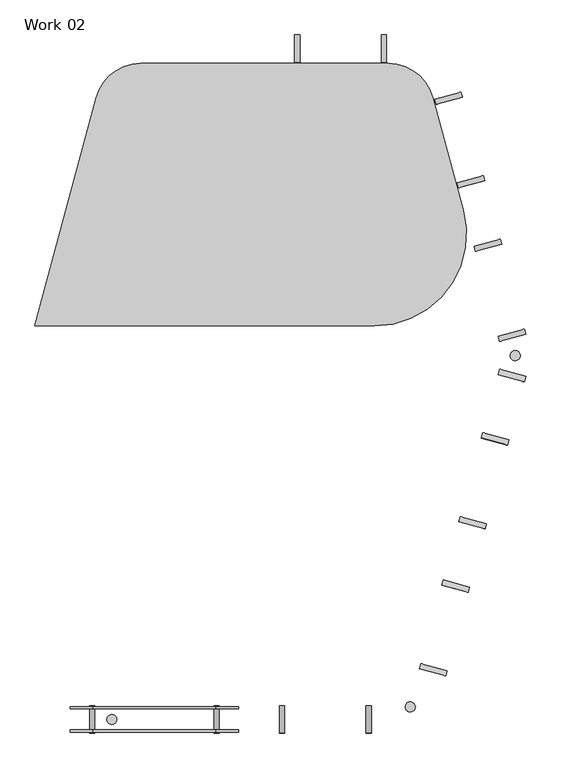
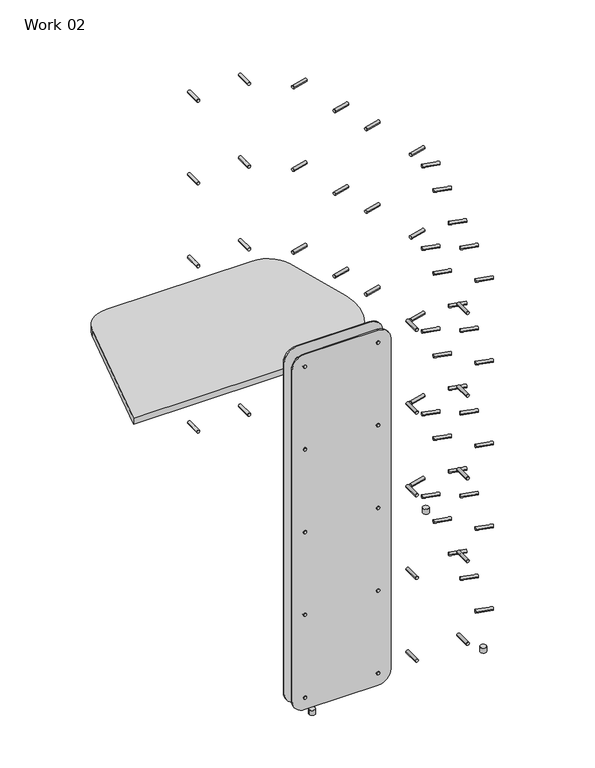
"""IFC4 building model written with IfcOpenShell, lengths in millimetres: furniture geometry, Work 02."""

from ifc_helpers import new_model, si_unit, point, frame, frame_2d, origin, origin_with_axes, place, context, project, spatial, polyline, circle_curve, trimmed, segment, composite_curve, outline, extrude, source, transform, mapped, element, save


def work_02_675f0acc(model_context):
    return source(origin(), model_context, "Body", "SweptSolid", [
        extrude(outline(composite_curve([segment(trimmed(circle_curve(frame_2d((1460.0, 208.1055891)), 6.0), [point((1460.0, 214.1055891))], [point((1460.0, 202.1055891))], False, "CARTESIAN"), True, "CONTINUOUS"), segment(trimmed(circle_curve(frame_2d((1460.0, 208.1055891)), 6.0), [point((1460.0, 202.1055891))], [point((1460.0, 214.1055891))], False, "CARTESIAN"), True, "CONTINUOUS")], self_intersect=False)), frame((0.0, -1593.1786441, 0.0), z_axis=(0.0, 1.0, 0.0), x_axis=(0.0, 0.0, 1.0)), (0.0, 0.0, 1.0), 62.0),
        extrude(outline(composite_curve([segment(trimmed(circle_curve(frame_2d((1460.0, 492.3645891)), 6.0), [point((1460.0, 498.3645891))], [point((1460.0, 486.3645891))], False, "CARTESIAN"), True, "CONTINUOUS"), segment(trimmed(circle_curve(frame_2d((1460.0, 492.3645891)), 6.0), [point((1460.0, 486.3645891))], [point((1460.0, 498.3645891))], False, "CARTESIAN"), True, "CONTINUOUS")], self_intersect=False)), frame((0.0, -1593.1786441, 0.0), z_axis=(0.0, 1.0, 0.0), x_axis=(0.0, 0.0, 1.0)), (0.0, 0.0, 1.0), 62.0),
        extrude(outline(composite_curve([segment(trimmed(circle_curve(frame_2d((1120.0, 208.1055891)), 6.0), [point((1120.0, 214.1055891))], [point((1120.0, 202.1055891))], False, "CARTESIAN"), True, "CONTINUOUS"), segment(trimmed(circle_curve(frame_2d((1120.0, 208.1055891)), 6.0), [point((1120.0, 202.1055891))], [point((1120.0, 214.1055891))], False, "CARTESIAN"), True, "CONTINUOUS")], self_intersect=False)), frame((0.0, -1593.1786441, 0.0), z_axis=(0.0, 1.0, 0.0), x_axis=(0.0, 0.0, 1.0)), (0.0, 0.0, 1.0), 62.0),
        extrude(outline(composite_curve([segment(trimmed(circle_curve(frame_2d((1120.0, 492.3645891)), 6.0), [point((1120.0, 498.3645891))], [point((1120.0, 486.3645891))], False, "CARTESIAN"), True, "CONTINUOUS"), segment(trimmed(circle_curve(frame_2d((1120.0, 492.3645891)), 6.0), [point((1120.0, 486.3645891))], [point((1120.0, 498.3645891))], False, "CARTESIAN"), True, "CONTINUOUS")], self_intersect=False)), frame((0.0, -1593.1786441, 0.0), z_axis=(0.0, 1.0, 0.0), x_axis=(0.0, 0.0, 1.0)), (0.0, 0.0, 1.0), 62.0),
        extrude(outline(composite_curve([segment(trimmed(circle_curve(frame_2d((780.0, 208.1055891)), 6.0), [point((780.0, 214.1055891))], [point((780.0, 202.1055891))], False, "CARTESIAN"), True, "CONTINUOUS"), segment(trimmed(circle_curve(frame_2d((780.0, 208.1055891)), 6.0), [point((780.0, 202.1055891))], [point((780.0, 214.1055891))], False, "CARTESIAN"), True, "CONTINUOUS")], self_intersect=False)), frame((0.0, -1593.1786441, 0.0), z_axis=(0.0, 1.0, 0.0), x_axis=(0.0, 0.0, 1.0)), (0.0, 0.0, 1.0), 62.0),
        extrude(outline(composite_curve([segment(trimmed(circle_curve(frame_2d((780.0, 492.3645891)), 6.0), [point((780.0, 498.3645891))], [point((780.0, 486.3645891))], False, "CARTESIAN"), True, "CONTINUOUS"), segment(trimmed(circle_curve(frame_2d((780.0, 492.3645891)), 6.0), [point((780.0, 486.3645891))], [point((780.0, 498.3645891))], False, "CARTESIAN"), True, "CONTINUOUS")], self_intersect=False)), frame((0.0, -1593.1786441, 0.0), z_axis=(0.0, 1.0, 0.0), x_axis=(0.0, 0.0, 1.0)), (0.0, 0.0, 1.0), 62.0),
        extrude(outline(composite_curve([segment(trimmed(circle_curve(frame_2d((440.0, 208.1055891)), 6.0), [point((440.0, 214.1055891))], [point((440.0, 202.1055891))], False, "CARTESIAN"), True, "CONTINUOUS"), segment(trimmed(circle_curve(frame_2d((440.0, 208.1055891)), 6.0), [point((440.0, 202.1055891))], [point((440.0, 214.1055891))], False, "CARTESIAN"), True, "CONTINUOUS")], self_intersect=False)), frame((0.0, -1593.1786441, 0.0), z_axis=(0.0, 1.0, 0.0), x_axis=(0.0, 0.0, 1.0)), (0.0, 0.0, 1.0), 62.0),
        extrude(outline(composite_curve([segment(trimmed(circle_curve(frame_2d((440.0, 492.3645891)), 6.0), [point((440.0, 498.3645891))], [point((440.0, 486.3645891))], False, "CARTESIAN"), True, "CONTINUOUS"), segment(trimmed(circle_curve(frame_2d((440.0, 492.3645891)), 6.0), [point((440.0, 486.3645891))], [point((440.0, 498.3645891))], False, "CARTESIAN"), True, "CONTINUOUS")], self_intersect=False)), frame((0.0, -1593.1786441, 0.0), z_axis=(0.0, 1.0, 0.0), x_axis=(0.0, 0.0, 1.0)), (0.0, 0.0, 1.0), 62.0),
        extrude(outline(composite_curve([segment(trimmed(circle_curve(frame_2d((100.0, 208.1055891)), 6.0), [point((100.0, 214.1055891))], [point((100.0, 202.1055891))], False, "CARTESIAN"), True, "CONTINUOUS"), segment(trimmed(circle_curve(frame_2d((100.0, 208.1055891)), 6.0), [point((100.0, 202.1055891))], [point((100.0, 214.1055891))], False, "CARTESIAN"), True, "CONTINUOUS")], self_intersect=False)), frame((0.0, -1593.1786441, 0.0), z_axis=(0.0, 1.0, 0.0), x_axis=(0.0, 0.0, 1.0)), (0.0, 0.0, 1.0), 62.0),
        extrude(outline(composite_curve([segment(trimmed(circle_curve(frame_2d((100.0, 492.3645891)), 6.0), [point((100.0, 498.3645891))], [point((100.0, 486.3645891))], False, "CARTESIAN"), True, "CONTINUOUS"), segment(trimmed(circle_curve(frame_2d((100.0, 492.3645891)), 6.0), [point((100.0, 486.3645891))], [point((100.0, 498.3645891))], False, "CARTESIAN"), True, "CONTINUOUS")], self_intersect=False)), frame((0.0, -1593.1786441, 0.0), z_axis=(0.0, 1.0, 0.0), x_axis=(0.0, 0.0, 1.0)), (0.0, 0.0, 1.0), 62.0),
        extrude(outline(composite_curve([segment(trimmed(circle_curve(frame_2d((253.1261131, -1562.1020474)), 11.4859648), [point((264.2207031, -1565.0748338))], [point((242.0315231, -1559.1292609))], False, "CARTESIAN"), True, "CONTINUOUS"), segment(trimmed(circle_curve(frame_2d((253.1261131, -1562.1020474)), 11.4859648), [point((242.0315231, -1559.1292609))], [point((264.2207031, -1565.0748338))], False, "CARTESIAN"), True, "CONTINUOUS")], self_intersect=False)), origin_with_axes(), (0.0, 0.0, 1.0), 20.0),
        extrude(outline(composite_curve([segment(trimmed(circle_curve(frame_2d((935.6841892, -1533.2481117)), 11.5), [point((946.7923362, -1536.2245307))], [point((924.5760422, -1530.2716927))], False, "CARTESIAN"), True, "CONTINUOUS"), segment(trimmed(circle_curve(frame_2d((935.6841892, -1533.2481117)), 11.5), [point((924.5760422, -1530.2716927))], [point((946.7923362, -1536.2245307))], False, "CARTESIAN"), True, "CONTINUOUS")], self_intersect=False)), origin_with_axes(), (0.0, 0.0, 1.0), 20.0),
        extrude(outline(composite_curve([segment(trimmed(circle_curve(frame_2d((1459.2, 208.9055891)), 50.8), [point((1510.0, 208.9055891))], [point((1459.2, 158.1055891))], False, "CARTESIAN"), True, "CONTINUOUS"), segment(polyline([(1459.2, 158.1055891), (100.8, 158.1055891)]), True, "CONTINUOUS"), segment(trimmed(circle_curve(frame_2d((100.8, 208.9055891)), 50.8), [point((100.8, 158.1055891))], [point((50.0, 208.9055891))], False, "CARTESIAN"), True, "CONTINUOUS"), segment(polyline([(50.0, 208.9055891), (50.0, 491.5645891)]), True, "CONTINUOUS"), segment(trimmed(circle_curve(frame_2d((100.8, 491.5645891)), 50.8), [point((50.0, 491.5645891))], [point((100.8, 542.3645891))], False, "CARTESIAN"), True, "CONTINUOUS"), segment(polyline([(100.8, 542.3645891), (1459.2, 542.3645891)]), True, "CONTINUOUS"), segment(trimmed(circle_curve(frame_2d((1459.2, 491.5645891)), 50.8), [point((1459.2, 542.3645891))], [point((1510.0, 491.5645891))], False, "CARTESIAN"), True, "CONTINUOUS"), segment(polyline([(1510.0, 491.5645891), (1510.0, 208.9055891)]), True, "CONTINUOUS")], self_intersect=False)), frame((0.0, -1538.1786441, 0.0), z_axis=(0.0, 1.0, 0.0), x_axis=(0.0, 0.0, 1.0)), (0.0, 0.0, 1.0), 5.0),
        extrude(outline(composite_curve([segment(trimmed(circle_curve(frame_2d((1459.2, 208.9055891)), 50.8), [point((1510.0, 208.9055891))], [point((1459.2, 158.1055891))], False, "CARTESIAN"), True, "CONTINUOUS"), segment(polyline([(1459.2, 158.1055891), (100.8, 158.1055891)]), True, "CONTINUOUS"), segment(trimmed(circle_curve(frame_2d((100.8, 208.9055891)), 50.8), [point((100.8, 158.1055891))], [point((50.0, 208.9055891))], False, "CARTESIAN"), True, "CONTINUOUS"), segment(polyline([(50.0, 208.9055891), (50.0, 491.5645891)]), True, "CONTINUOUS"), segment(trimmed(circle_curve(frame_2d((100.8, 491.5645891)), 50.8), [point((50.0, 491.5645891))], [point((100.8, 542.3645891))], False, "CARTESIAN"), True, "CONTINUOUS"), segment(polyline([(100.8, 542.3645891), (1459.2, 542.3645891)]), True, "CONTINUOUS"), segment(trimmed(circle_curve(frame_2d((1459.2, 491.5645891)), 50.8), [point((1459.2, 542.3645891))], [point((1510.0, 491.5645891))], False, "CARTESIAN"), True, "CONTINUOUS"), segment(polyline([(1510.0, 491.5645891), (1510.0, 208.9055891)]), True, "CONTINUOUS")], self_intersect=False)), frame((0.0, -1591.1786441, 0.0), z_axis=(0.0, 1.0, 0.0), x_axis=(0.0, 0.0, 1.0)), (0.0, 0.0, 1.0), 5.0),
        extrude(outline(composite_curve([segment(trimmed(circle_curve(frame_2d((0.0, -5.9999999)), 6.0), [point((0.0, -12.0))], [point((0.0, 0.0))], False, "CARTESIAN"), True, "CONTINUOUS"), segment(trimmed(circle_curve(frame_2d((0.0, -5.9999999)), 6.0), [point((0.0, 0.0))], [point((0.0, -12.0))], False, "CARTESIAN"), True, "CONTINUOUS")], self_intersect=False)), frame((1019.7720101, -1450.9818876, 1460.0), z_axis=(-0.9659258262890665, 0.25881904510252746, 0.0), x_axis=(0.0, 0.0, 1.0)), (0.0, 0.0, 1.0), 62.0),
        extrude(outline(composite_curve([segment(trimmed(circle_curve(frame_2d((0.0, 192.0930001)), 6.0), [point((0.0, 186.093))], [point((0.0, 198.093))], False, "CARTESIAN"), True, "CONTINUOUS"), segment(trimmed(circle_curve(frame_2d((0.0, 192.0930001)), 6.0), [point((0.0, 198.093))], [point((0.0, 186.093))], False, "CARTESIAN"), True, "CONTINUOUS")], self_intersect=False)), frame((1019.7720101, -1450.9818876, 1460.0), z_axis=(-0.9659258262890665, 0.25881904510252746, 0.0), x_axis=(0.0, 0.0, 1.0)), (0.0, 0.0, 1.0), 62.0),
        extrude(outline(composite_curve([segment(trimmed(circle_curve(frame_2d((-340.0, -5.9999999)), 6.0), [point((-340.0, -12.0))], [point((-340.0, 0.0))], False, "CARTESIAN"), True, "CONTINUOUS"), segment(trimmed(circle_curve(frame_2d((-340.0, -5.9999999)), 6.0), [point((-340.0, 0.0))], [point((-340.0, -12.0))], False, "CARTESIAN"), True, "CONTINUOUS")], self_intersect=False)), frame((1019.7720101, -1450.9818876, 1460.0), z_axis=(-0.9659258262890665, 0.25881904510252746, 0.0), x_axis=(0.0, 0.0, 1.0)), (0.0, 0.0, 1.0), 62.0),
        extrude(outline(composite_curve([segment(trimmed(circle_curve(frame_2d((-340.0, 192.0930001)), 6.0), [point((-340.0, 186.093))], [point((-340.0, 198.093))], False, "CARTESIAN"), True, "CONTINUOUS"), segment(trimmed(circle_curve(frame_2d((-340.0, 192.0930001)), 6.0), [point((-340.0, 198.093))], [point((-340.0, 186.093))], False, "CARTESIAN"), True, "CONTINUOUS")], self_intersect=False)), frame((1019.7720101, -1450.9818876, 1460.0), z_axis=(-0.9659258262890665, 0.25881904510252746, 0.0), x_axis=(0.0, 0.0, 1.0)), (0.0, 0.0, 1.0), 62.0),
        extrude(outline(composite_curve([segment(trimmed(circle_curve(frame_2d((-680.0, -5.9999999)), 6.0), [point((-680.0, -12.0))], [point((-680.0, 0.0))], False, "CARTESIAN"), True, "CONTINUOUS"), segment(trimmed(circle_curve(frame_2d((-680.0, -5.9999999)), 6.0), [point((-680.0, 0.0))], [point((-680.0, -12.0))], False, "CARTESIAN"), True, "CONTINUOUS")], self_intersect=False)), frame((1019.7720101, -1450.9818876, 1460.0), z_axis=(-0.9659258262890665, 0.25881904510252746, 0.0), x_axis=(0.0, 0.0, 1.0)), (0.0, 0.0, 1.0), 62.0),
        extrude(outline(composite_curve([segment(trimmed(circle_curve(frame_2d((-680.0, 192.0930001)), 6.0), [point((-680.0, 186.093))], [point((-680.0, 198.093))], False, "CARTESIAN"), True, "CONTINUOUS"), segment(trimmed(circle_curve(frame_2d((-680.0, 192.0930001)), 6.0), [point((-680.0, 198.093))], [point((-680.0, 186.093))], False, "CARTESIAN"), True, "CONTINUOUS")], self_intersect=False)), frame((1019.7720101, -1450.9818876, 1460.0), z_axis=(-0.9659258262890665, 0.25881904510252746, 0.0), x_axis=(0.0, 0.0, 1.0)), (0.0, 0.0, 1.0), 62.0),
        extrude(outline(composite_curve([segment(trimmed(circle_curve(frame_2d((-1020.0, -5.9999999)), 6.0), [point((-1020.0, -12.0))], [point((-1020.0, 0.0))], False, "CARTESIAN"), True, "CONTINUOUS"), segment(trimmed(circle_curve(frame_2d((-1020.0, -5.9999999)), 6.0), [point((-1020.0, 0.0))], [point((-1020.0, -12.0))], False, "CARTESIAN"), True, "CONTINUOUS")], self_intersect=False)), frame((1019.7720101, -1450.9818876, 1460.0), z_axis=(-0.9659258262890665, 0.25881904510252746, 0.0), x_axis=(0.0, 0.0, 1.0)), (0.0, 0.0, 1.0), 62.0),
        extrude(outline(composite_curve([segment(trimmed(circle_curve(frame_2d((-1020.0, 192.0930001)), 6.0), [point((-1020.0, 186.093))], [point((-1020.0, 198.093))], False, "CARTESIAN"), True, "CONTINUOUS"), segment(trimmed(circle_curve(frame_2d((-1020.0, 192.0930001)), 6.0), [point((-1020.0, 198.093))], [point((-1020.0, 186.093))], False, "CARTESIAN"), True, "CONTINUOUS")], self_intersect=False)), frame((1019.7720101, -1450.9818876, 1460.0), z_axis=(-0.9659258262890665, 0.25881904510252746, 0.0), x_axis=(0.0, 0.0, 1.0)), (0.0, 0.0, 1.0), 62.0),
        extrude(outline(composite_curve([segment(trimmed(circle_curve(frame_2d((-1360.0, -5.9999999)), 6.0), [point((-1360.0, -12.0))], [point((-1360.0, 0.0))], False, "CARTESIAN"), True, "CONTINUOUS"), segment(trimmed(circle_curve(frame_2d((-1360.0, -5.9999999)), 6.0), [point((-1360.0, 0.0))], [point((-1360.0, -12.0))], False, "CARTESIAN"), True, "CONTINUOUS")], self_intersect=False)), frame((1019.7720101, -1450.9818876, 1460.0), z_axis=(-0.9659258262890665, 0.25881904510252746, 0.0), x_axis=(0.0, 0.0, 1.0)), (0.0, 0.0, 1.0), 62.0),
        extrude(outline(composite_curve([segment(trimmed(circle_curve(frame_2d((-1360.0, 192.0930001)), 6.0), [point((-1360.0, 186.093))], [point((-1360.0, 198.093))], False, "CARTESIAN"), True, "CONTINUOUS"), segment(trimmed(circle_curve(frame_2d((-1360.0, 192.0930001)), 6.0), [point((-1360.0, 198.093))], [point((-1360.0, 186.093))], False, "CARTESIAN"), True, "CONTINUOUS")], self_intersect=False)), frame((1019.7720101, -1450.9818876, 1460.0), z_axis=(-0.9659258262890665, 0.25881904510252746, 0.0), x_axis=(0.0, 0.0, 1.0)), (0.0, 0.0, 1.0), 62.0),
        extrude(outline(composite_curve([segment(trimmed(circle_curve(frame_2d((1460.0, 642.3645891)), 6.0), [point((1460.0, 648.3645891))], [point((1460.0, 636.3645891))], False, "CARTESIAN"), True, "CONTINUOUS"), segment(trimmed(circle_curve(frame_2d((1460.0, 642.3645891)), 6.0), [point((1460.0, 636.3645891))], [point((1460.0, 648.3645891))], False, "CARTESIAN"), True, "CONTINUOUS")], self_intersect=False)), frame((0.0, -1593.1786441, 0.0), z_axis=(0.0, 1.0, 0.0), x_axis=(0.0, 0.0, 1.0)), (0.0, 0.0, 1.0), 62.0),
        extrude(outline(composite_curve([segment(trimmed(circle_curve(frame_2d((1460.0, 840.4575891)), 6.0), [point((1460.0, 846.4575891))], [point((1460.0, 834.4575891))], False, "CARTESIAN"), True, "CONTINUOUS"), segment(trimmed(circle_curve(frame_2d((1460.0, 840.4575891)), 6.0), [point((1460.0, 834.4575891))], [point((1460.0, 846.4575891))], False, "CARTESIAN"), True, "CONTINUOUS")], self_intersect=False)), frame((0.0, -1593.1786441, 0.0), z_axis=(0.0, 1.0, 0.0), x_axis=(0.0, 0.0, 1.0)), (0.0, 0.0, 1.0), 62.0),
        extrude(outline(composite_curve([segment(trimmed(circle_curve(frame_2d((1120.0, 642.3645891)), 6.0), [point((1120.0, 648.3645891))], [point((1120.0, 636.3645891))], False, "CARTESIAN"), True, "CONTINUOUS"), segment(trimmed(circle_curve(frame_2d((1120.0, 642.3645891)), 6.0), [point((1120.0, 636.3645891))], [point((1120.0, 648.3645891))], False, "CARTESIAN"), True, "CONTINUOUS")], self_intersect=False)), frame((0.0, -1593.1786441, 0.0), z_axis=(0.0, 1.0, 0.0), x_axis=(0.0, 0.0, 1.0)), (0.0, 0.0, 1.0), 62.0),
        extrude(outline(composite_curve([segment(trimmed(circle_curve(frame_2d((1120.0, 840.4575891)), 6.0), [point((1120.0, 846.4575891))], [point((1120.0, 834.4575891))], False, "CARTESIAN"), True, "CONTINUOUS"), segment(trimmed(circle_curve(frame_2d((1120.0, 840.4575891)), 6.0), [point((1120.0, 834.4575891))], [point((1120.0, 846.4575891))], False, "CARTESIAN"), True, "CONTINUOUS")], self_intersect=False)), frame((0.0, -1593.1786441, 0.0), z_axis=(0.0, 1.0, 0.0), x_axis=(0.0, 0.0, 1.0)), (0.0, 0.0, 1.0), 62.0),
        extrude(outline(composite_curve([segment(trimmed(circle_curve(frame_2d((780.0, 642.3645891)), 6.0), [point((780.0, 648.3645891))], [point((780.0, 636.3645891))], False, "CARTESIAN"), True, "CONTINUOUS"), segment(trimmed(circle_curve(frame_2d((780.0, 642.3645891)), 6.0), [point((780.0, 636.3645891))], [point((780.0, 648.3645891))], False, "CARTESIAN"), True, "CONTINUOUS")], self_intersect=False)), frame((0.0, -1593.1786441, 0.0), z_axis=(0.0, 1.0, 0.0), x_axis=(0.0, 0.0, 1.0)), (0.0, 0.0, 1.0), 62.0),
        extrude(outline(composite_curve([segment(trimmed(circle_curve(frame_2d((780.0, 840.4575891)), 6.0), [point((780.0, 846.4575891))], [point((780.0, 834.4575891))], False, "CARTESIAN"), True, "CONTINUOUS"), segment(trimmed(circle_curve(frame_2d((780.0, 840.4575891)), 6.0), [point((780.0, 834.4575891))], [point((780.0, 846.4575891))], False, "CARTESIAN"), True, "CONTINUOUS")], self_intersect=False)), frame((0.0, -1593.1786441, 0.0), z_axis=(0.0, 1.0, 0.0), x_axis=(0.0, 0.0, 1.0)), (0.0, 0.0, 1.0), 62.0),
        extrude(outline(composite_curve([segment(trimmed(circle_curve(frame_2d((440.0, 642.3645891)), 6.0), [point((440.0, 648.3645891))], [point((440.0, 636.3645891))], False, "CARTESIAN"), True, "CONTINUOUS"), segment(trimmed(circle_curve(frame_2d((440.0, 642.3645891)), 6.0), [point((440.0, 636.3645891))], [point((440.0, 648.3645891))], False, "CARTESIAN"), True, "CONTINUOUS")], self_intersect=False)), frame((0.0, -1593.1786441, 0.0), z_axis=(0.0, 1.0, 0.0), x_axis=(0.0, 0.0, 1.0)), (0.0, 0.0, 1.0), 62.0),
        extrude(outline(composite_curve([segment(trimmed(circle_curve(frame_2d((440.0, 840.4575891)), 6.0), [point((440.0, 846.4575891))], [point((440.0, 834.4575891))], False, "CARTESIAN"), True, "CONTINUOUS"), segment(trimmed(circle_curve(frame_2d((440.0, 840.4575891)), 6.0), [point((440.0, 834.4575891))], [point((440.0, 846.4575891))], False, "CARTESIAN"), True, "CONTINUOUS")], self_intersect=False)), frame((0.0, -1593.1786441, 0.0), z_axis=(0.0, 1.0, 0.0), x_axis=(0.0, 0.0, 1.0)), (0.0, 0.0, 1.0), 62.0),
        extrude(outline(composite_curve([segment(trimmed(circle_curve(frame_2d((100.0, 642.3645891)), 6.0), [point((100.0, 648.3645891))], [point((100.0, 636.3645891))], False, "CARTESIAN"), True, "CONTINUOUS"), segment(trimmed(circle_curve(frame_2d((100.0, 642.3645891)), 6.0), [point((100.0, 636.3645891))], [point((100.0, 648.3645891))], False, "CARTESIAN"), True, "CONTINUOUS")], self_intersect=False)), frame((0.0, -1593.1786441, 0.0), z_axis=(0.0, 1.0, 0.0), x_axis=(0.0, 0.0, 1.0)), (0.0, 0.0, 1.0), 62.0),
        extrude(outline(composite_curve([segment(trimmed(circle_curve(frame_2d((100.0, 840.4575891)), 6.0), [point((100.0, 846.4575891))], [point((100.0, 834.4575891))], False, "CARTESIAN"), True, "CONTINUOUS"), segment(trimmed(circle_curve(frame_2d((100.0, 840.4575891)), 6.0), [point((100.0, 834.4575891))], [point((100.0, 846.4575891))], False, "CARTESIAN"), True, "CONTINUOUS")], self_intersect=False)), frame((0.0, -1593.1786441, 0.0), z_axis=(0.0, 1.0, 0.0), x_axis=(0.0, 0.0, 1.0)), (0.0, 0.0, 1.0), 62.0),
        extrude(outline(composite_curve([segment(trimmed(circle_curve(frame_2d((0.0, -6.0)), 6.0), [point((0.0, -12.0))], [point((0.0, 0.0))], False, "CARTESIAN"), True, "CONTINUOUS"), segment(trimmed(circle_curve(frame_2d((0.0, -6.0)), 6.0), [point((0.0, 0.0))], [point((0.0, -12.0))], False, "CARTESIAN"), True, "CONTINUOUS")], self_intersect=False)), frame((994.82518, -156.2435373, 1460.0), z_axis=(0.9659258262890681, 0.2588190451025218, 0.0), x_axis=(0.0, 0.0, 1.0)), (0.0, 0.0, 1.0), 62.0),
        extrude(outline(composite_curve([segment(trimmed(circle_curve(frame_2d((0.0, 192.093)), 6.0), [point((0.0, 186.093))], [point((0.0, 198.093))], False, "CARTESIAN"), True, "CONTINUOUS"), segment(trimmed(circle_curve(frame_2d((0.0, 192.093)), 6.0), [point((0.0, 198.093))], [point((0.0, 186.093))], False, "CARTESIAN"), True, "CONTINUOUS")], self_intersect=False)), frame((994.82518, -156.2435373, 1460.0), z_axis=(0.9659258262890681, 0.2588190451025218, 0.0), x_axis=(0.0, 0.0, 1.0)), (0.0, 0.0, 1.0), 62.0),
        extrude(outline(composite_curve([segment(trimmed(circle_curve(frame_2d((-340.0, -6.0)), 6.0), [point((-340.0, -12.0))], [point((-340.0, 0.0))], False, "CARTESIAN"), True, "CONTINUOUS"), segment(trimmed(circle_curve(frame_2d((-340.0, -6.0)), 6.0), [point((-340.0, 0.0))], [point((-340.0, -12.0))], False, "CARTESIAN"), True, "CONTINUOUS")], self_intersect=False)), frame((994.82518, -156.2435373, 1460.0), z_axis=(0.9659258262890681, 0.2588190451025218, 0.0), x_axis=(0.0, 0.0, 1.0)), (0.0, 0.0, 1.0), 62.0),
        extrude(outline(composite_curve([segment(trimmed(circle_curve(frame_2d((-340.0, 192.093)), 6.0), [point((-340.0, 186.093))], [point((-340.0, 198.093))], False, "CARTESIAN"), True, "CONTINUOUS"), segment(trimmed(circle_curve(frame_2d((-340.0, 192.093)), 6.0), [point((-340.0, 198.093))], [point((-340.0, 186.093))], False, "CARTESIAN"), True, "CONTINUOUS")], self_intersect=False)), frame((994.82518, -156.2435373, 1460.0), z_axis=(0.9659258262890681, 0.2588190451025218, 0.0), x_axis=(0.0, 0.0, 1.0)), (0.0, 0.0, 1.0), 62.0),
        extrude(outline(composite_curve([segment(trimmed(circle_curve(frame_2d((-680.0, -6.0)), 6.0), [point((-680.0, -12.0))], [point((-680.0, 0.0))], False, "CARTESIAN"), True, "CONTINUOUS"), segment(trimmed(circle_curve(frame_2d((-680.0, -6.0)), 6.0), [point((-680.0, 0.0))], [point((-680.0, -12.0))], False, "CARTESIAN"), True, "CONTINUOUS")], self_intersect=False)), frame((994.82518, -156.2435373, 1460.0), z_axis=(0.9659258262890681, 0.2588190451025218, 0.0), x_axis=(0.0, 0.0, 1.0)), (0.0, 0.0, 1.0), 62.0),
        extrude(outline(composite_curve([segment(trimmed(circle_curve(frame_2d((-680.0, 192.093)), 6.0), [point((-680.0, 186.093))], [point((-680.0, 198.093))], False, "CARTESIAN"), True, "CONTINUOUS"), segment(trimmed(circle_curve(frame_2d((-680.0, 192.093)), 6.0), [point((-680.0, 198.093))], [point((-680.0, 186.093))], False, "CARTESIAN"), True, "CONTINUOUS")], self_intersect=False)), frame((994.82518, -156.2435373, 1460.0), z_axis=(0.9659258262890681, 0.2588190451025218, 0.0), x_axis=(0.0, 0.0, 1.0)), (0.0, 0.0, 1.0), 62.0),
        extrude(outline(composite_curve([segment(trimmed(circle_curve(frame_2d((-1020.0, -6.0)), 6.0), [point((-1020.0, -12.0))], [point((-1020.0, 0.0))], False, "CARTESIAN"), True, "CONTINUOUS"), segment(trimmed(circle_curve(frame_2d((-1020.0, -6.0)), 6.0), [point((-1020.0, 0.0))], [point((-1020.0, -12.0))], False, "CARTESIAN"), True, "CONTINUOUS")], self_intersect=False)), frame((994.82518, -156.2435373, 1460.0), z_axis=(0.9659258262890681, 0.2588190451025218, 0.0), x_axis=(0.0, 0.0, 1.0)), (0.0, 0.0, 1.0), 62.0),
        extrude(outline(composite_curve([segment(trimmed(circle_curve(frame_2d((-1020.0, 192.093)), 6.0), [point((-1020.0, 186.093))], [point((-1020.0, 198.093))], False, "CARTESIAN"), True, "CONTINUOUS"), segment(trimmed(circle_curve(frame_2d((-1020.0, 192.093)), 6.0), [point((-1020.0, 198.093))], [point((-1020.0, 186.093))], False, "CARTESIAN"), True, "CONTINUOUS")], self_intersect=False)), frame((994.82518, -156.2435373, 1460.0), z_axis=(0.9659258262890681, 0.2588190451025218, 0.0), x_axis=(0.0, 0.0, 1.0)), (0.0, 0.0, 1.0), 62.0),
        extrude(outline(composite_curve([segment(trimmed(circle_curve(frame_2d((-1360.0, -6.0)), 6.0), [point((-1360.0, -12.0))], [point((-1360.0, 0.0))], False, "CARTESIAN"), True, "CONTINUOUS"), segment(trimmed(circle_curve(frame_2d((-1360.0, -6.0)), 6.0), [point((-1360.0, 0.0))], [point((-1360.0, -12.0))], False, "CARTESIAN"), True, "CONTINUOUS")], self_intersect=False)), frame((994.82518, -156.2435373, 1460.0), z_axis=(0.9659258262890681, 0.2588190451025218, 0.0), x_axis=(0.0, 0.0, 1.0)), (0.0, 0.0, 1.0), 62.0),
        extrude(outline(composite_curve([segment(trimmed(circle_curve(frame_2d((-1360.0, 192.093)), 6.0), [point((-1360.0, 186.093))], [point((-1360.0, 198.093))], False, "CARTESIAN"), True, "CONTINUOUS"), segment(trimmed(circle_curve(frame_2d((-1360.0, 192.093)), 6.0), [point((-1360.0, 198.093))], [point((-1360.0, 186.093))], False, "CARTESIAN"), True, "CONTINUOUS")], self_intersect=False)), frame((994.82518, -156.2435373, 1460.0), z_axis=(0.9659258262890681, 0.2588190451025218, 0.0), x_axis=(0.0, 0.0, 1.0)), (0.0, 0.0, 1.0), 62.0),
        extrude(outline(composite_curve([segment(trimmed(circle_curve(frame_2d((1460.0, 677.3051602)), 6.0), [point((1460.0, 683.3051602))], [point((1460.0, 671.3051602))], False, "CARTESIAN"), True, "CONTINUOUS"), segment(trimmed(circle_curve(frame_2d((1460.0, 677.3051602)), 6.0), [point((1460.0, 671.3051602))], [point((1460.0, 683.3051602))], False, "CARTESIAN"), True, "CONTINUOUS")], self_intersect=False)), frame((0.0, -60.0, 0.0), z_axis=(0.0, 1.0, 0.0), x_axis=(0.0, 0.0, 1.0)), (0.0, 0.0, 1.0), 62.0),
        extrude(outline(composite_curve([segment(trimmed(circle_curve(frame_2d((1460.0, 875.3981602)), 6.0), [point((1460.0, 881.3981602))], [point((1460.0, 869.3981602))], False, "CARTESIAN"), True, "CONTINUOUS"), segment(trimmed(circle_curve(frame_2d((1460.0, 875.3981602)), 6.0), [point((1460.0, 869.3981602))], [point((1460.0, 881.3981602))], False, "CARTESIAN"), True, "CONTINUOUS")], self_intersect=False)), frame((0.0, -60.0, 0.0), z_axis=(0.0, 1.0, 0.0), x_axis=(0.0, 0.0, 1.0)), (0.0, 0.0, 1.0), 62.0),
        extrude(outline(composite_curve([segment(trimmed(circle_curve(frame_2d((1120.0, 677.3051602)), 6.0), [point((1120.0, 683.3051602))], [point((1120.0, 671.3051602))], False, "CARTESIAN"), True, "CONTINUOUS"), segment(trimmed(circle_curve(frame_2d((1120.0, 677.3051602)), 6.0), [point((1120.0, 671.3051602))], [point((1120.0, 683.3051602))], False, "CARTESIAN"), True, "CONTINUOUS")], self_intersect=False)), frame((0.0, -60.0, 0.0), z_axis=(0.0, 1.0, 0.0), x_axis=(0.0, 0.0, 1.0)), (0.0, 0.0, 1.0), 62.0),
        extrude(outline(composite_curve([segment(trimmed(circle_curve(frame_2d((1120.0, 875.3981602)), 6.0), [point((1120.0, 881.3981602))], [point((1120.0, 869.3981602))], False, "CARTESIAN"), True, "CONTINUOUS"), segment(trimmed(circle_curve(frame_2d((1120.0, 875.3981602)), 6.0), [point((1120.0, 869.3981602))], [point((1120.0, 881.3981602))], False, "CARTESIAN"), True, "CONTINUOUS")], self_intersect=False)), frame((0.0, -60.0, 0.0), z_axis=(0.0, 1.0, 0.0), x_axis=(0.0, 0.0, 1.0)), (0.0, 0.0, 1.0), 62.0),
        extrude(outline(composite_curve([segment(trimmed(circle_curve(frame_2d((780.0, 677.3051602)), 6.0), [point((780.0, 683.3051602))], [point((780.0, 671.3051602))], False, "CARTESIAN"), True, "CONTINUOUS"), segment(trimmed(circle_curve(frame_2d((780.0, 677.3051602)), 6.0), [point((780.0, 671.3051602))], [point((780.0, 683.3051602))], False, "CARTESIAN"), True, "CONTINUOUS")], self_intersect=False)), frame((0.0, -60.0, 0.0), z_axis=(0.0, 1.0, 0.0), x_axis=(0.0, 0.0, 1.0)), (0.0, 0.0, 1.0), 62.0),
        extrude(outline(composite_curve([segment(trimmed(circle_curve(frame_2d((780.0, 875.3981602)), 6.0), [point((780.0, 881.3981602))], [point((780.0, 869.3981602))], False, "CARTESIAN"), True, "CONTINUOUS"), segment(trimmed(circle_curve(frame_2d((780.0, 875.3981602)), 6.0), [point((780.0, 869.3981602))], [point((780.0, 881.3981602))], False, "CARTESIAN"), True, "CONTINUOUS")], self_intersect=False)), frame((0.0, -60.0, 0.0), z_axis=(0.0, 1.0, 0.0), x_axis=(0.0, 0.0, 1.0)), (0.0, 0.0, 1.0), 62.0),
        extrude(outline(composite_curve([segment(trimmed(circle_curve(frame_2d((440.0, 677.3051602)), 6.0), [point((440.0, 683.3051602))], [point((440.0, 671.3051602))], False, "CARTESIAN"), True, "CONTINUOUS"), segment(trimmed(circle_curve(frame_2d((440.0, 677.3051602)), 6.0), [point((440.0, 671.3051602))], [point((440.0, 683.3051602))], False, "CARTESIAN"), True, "CONTINUOUS")], self_intersect=False)), frame((0.0, -60.0, 0.0), z_axis=(0.0, 1.0, 0.0), x_axis=(0.0, 0.0, 1.0)), (0.0, 0.0, 1.0), 62.0),
        extrude(outline(composite_curve([segment(trimmed(circle_curve(frame_2d((440.0, 875.3981602)), 6.0), [point((440.0, 881.3981602))], [point((440.0, 869.3981602))], False, "CARTESIAN"), True, "CONTINUOUS"), segment(trimmed(circle_curve(frame_2d((440.0, 875.3981602)), 6.0), [point((440.0, 869.3981602))], [point((440.0, 881.3981602))], False, "CARTESIAN"), True, "CONTINUOUS")], self_intersect=False)), frame((0.0, -60.0, 0.0), z_axis=(0.0, 1.0, 0.0), x_axis=(0.0, 0.0, 1.0)), (0.0, 0.0, 1.0), 62.0),
        extrude(outline(composite_curve([segment(trimmed(circle_curve(frame_2d((100.0, 677.3051602)), 6.0), [point((100.0, 683.3051602))], [point((100.0, 671.3051602))], False, "CARTESIAN"), True, "CONTINUOUS"), segment(trimmed(circle_curve(frame_2d((100.0, 677.3051602)), 6.0), [point((100.0, 671.3051602))], [point((100.0, 683.3051602))], False, "CARTESIAN"), True, "CONTINUOUS")], self_intersect=False)), frame((0.0, -60.0, 0.0), z_axis=(0.0, 1.0, 0.0), x_axis=(0.0, 0.0, 1.0)), (0.0, 0.0, 1.0), 62.0),
        extrude(outline(composite_curve([segment(trimmed(circle_curve(frame_2d((100.0, 875.3981602)), 6.0), [point((100.0, 881.3981602))], [point((100.0, 869.3981602))], False, "CARTESIAN"), True, "CONTINUOUS"), segment(trimmed(circle_curve(frame_2d((100.0, 875.3981602)), 6.0), [point((100.0, 869.3981602))], [point((100.0, 881.3981602))], False, "CARTESIAN"), True, "CONTINUOUS")], self_intersect=False)), frame((0.0, -60.0, 0.0), z_axis=(0.0, 1.0, 0.0), x_axis=(0.0, 0.0, 1.0)), (0.0, 0.0, 1.0), 62.0),
        extrude(outline(composite_curve([segment(trimmed(circle_curve(frame_2d((1175.8219775, -730.3893288)), 11.5), [point((1164.7138305, -727.4129097))], [point((1186.9301245, -733.3657478))], False, "CARTESIAN"), True, "CONTINUOUS"), segment(trimmed(circle_curve(frame_2d((1175.8219775, -730.3893288)), 11.5), [point((1186.9301245, -733.3657478))], [point((1164.7138305, -727.4129097))], False, "CARTESIAN"), True, "CONTINUOUS")], self_intersect=False)), origin_with_axes(), (0.0, 0.0, 1.0), 20.0),
        extrude(outline(composite_curve([segment(trimmed(circle_curve(frame_2d((0.0, -6.0)), 6.0), [point((0.0, -12.0))], [point((0.0, 0.0))], False, "CARTESIAN"), True, "CONTINUOUS"), segment(trimmed(circle_curve(frame_2d((0.0, -6.0)), 6.0), [point((0.0, 0.0))], [point((0.0, -12.0))], False, "CARTESIAN"), True, "CONTINUOUS")], self_intersect=False)), frame((1109.865108, -1114.7498689, 1460.0), z_axis=(-0.9659258262890701, 0.2588190451025142, 0.0), x_axis=(0.0, 0.0, 1.0)), (0.0, 0.0, 1.0), 62.0),
        extrude(outline(composite_curve([segment(trimmed(circle_curve(frame_2d((0.0, 192.0929999)), 6.0), [point((0.0, 186.093))], [point((0.0, 198.093))], False, "CARTESIAN"), True, "CONTINUOUS"), segment(trimmed(circle_curve(frame_2d((0.0, 192.0929999)), 6.0), [point((0.0, 198.093))], [point((0.0, 186.093))], False, "CARTESIAN"), True, "CONTINUOUS")], self_intersect=False)), frame((1109.865108, -1114.7498689, 1460.0), z_axis=(-0.9659258262890701, 0.2588190451025142, 0.0), x_axis=(0.0, 0.0, 1.0)), (0.0, 0.0, 1.0), 62.0),
        extrude(outline(composite_curve([segment(trimmed(circle_curve(frame_2d((-340.0, -6.0)), 6.0), [point((-340.0, -12.0))], [point((-340.0, 0.0))], False, "CARTESIAN"), True, "CONTINUOUS"), segment(trimmed(circle_curve(frame_2d((-340.0, -6.0)), 6.0), [point((-340.0, 0.0))], [point((-340.0, -12.0))], False, "CARTESIAN"), True, "CONTINUOUS")], self_intersect=False)), frame((1109.865108, -1114.7498689, 1460.0), z_axis=(-0.9659258262890701, 0.2588190451025142, 0.0), x_axis=(0.0, 0.0, 1.0)), (0.0, 0.0, 1.0), 62.0),
        extrude(outline(composite_curve([segment(trimmed(circle_curve(frame_2d((-340.0, 192.0929999)), 6.0), [point((-340.0, 186.093))], [point((-340.0, 198.093))], False, "CARTESIAN"), True, "CONTINUOUS"), segment(trimmed(circle_curve(frame_2d((-340.0, 192.0929999)), 6.0), [point((-340.0, 198.093))], [point((-340.0, 186.093))], False, "CARTESIAN"), True, "CONTINUOUS")], self_intersect=False)), frame((1109.865108, -1114.7498689, 1460.0), z_axis=(-0.9659258262890701, 0.2588190451025142, 0.0), x_axis=(0.0, 0.0, 1.0)), (0.0, 0.0, 1.0), 62.0),
        extrude(outline(composite_curve([segment(trimmed(circle_curve(frame_2d((-680.0, -6.0)), 6.0), [point((-680.0, -12.0))], [point((-680.0, 0.0))], False, "CARTESIAN"), True, "CONTINUOUS"), segment(trimmed(circle_curve(frame_2d((-680.0, -6.0)), 6.0), [point((-680.0, 0.0))], [point((-680.0, -12.0))], False, "CARTESIAN"), True, "CONTINUOUS")], self_intersect=False)), frame((1109.865108, -1114.7498689, 1460.0), z_axis=(-0.9659258262890701, 0.2588190451025142, 0.0), x_axis=(0.0, 0.0, 1.0)), (0.0, 0.0, 1.0), 62.0),
        extrude(outline(composite_curve([segment(trimmed(circle_curve(frame_2d((-680.0, 192.0929999)), 6.0), [point((-680.0, 186.093))], [point((-680.0, 198.093))], False, "CARTESIAN"), True, "CONTINUOUS"), segment(trimmed(circle_curve(frame_2d((-680.0, 192.0929999)), 6.0), [point((-680.0, 198.093))], [point((-680.0, 186.093))], False, "CARTESIAN"), True, "CONTINUOUS")], self_intersect=False)), frame((1109.865108, -1114.7498689, 1460.0), z_axis=(-0.9659258262890701, 0.2588190451025142, 0.0), x_axis=(0.0, 0.0, 1.0)), (0.0, 0.0, 1.0), 62.0),
        extrude(outline(composite_curve([segment(trimmed(circle_curve(frame_2d((-1020.0, -6.0)), 6.0), [point((-1020.0, -12.0))], [point((-1020.0, 0.0))], False, "CARTESIAN"), True, "CONTINUOUS"), segment(trimmed(circle_curve(frame_2d((-1020.0, -6.0)), 6.0), [point((-1020.0, 0.0))], [point((-1020.0, -12.0))], False, "CARTESIAN"), True, "CONTINUOUS")], self_intersect=False)), frame((1109.865108, -1114.7498689, 1460.0), z_axis=(-0.9659258262890701, 0.2588190451025142, 0.0), x_axis=(0.0, 0.0, 1.0)), (0.0, 0.0, 1.0), 62.0),
        extrude(outline(composite_curve([segment(trimmed(circle_curve(frame_2d((-1020.0, 192.0929999)), 6.0), [point((-1020.0, 186.093))], [point((-1020.0, 198.093))], False, "CARTESIAN"), True, "CONTINUOUS"), segment(trimmed(circle_curve(frame_2d((-1020.0, 192.0929999)), 6.0), [point((-1020.0, 198.093))], [point((-1020.0, 186.093))], False, "CARTESIAN"), True, "CONTINUOUS")], self_intersect=False)), frame((1109.865108, -1114.7498689, 1460.0), z_axis=(-0.9659258262890701, 0.2588190451025142, 0.0), x_axis=(0.0, 0.0, 1.0)), (0.0, 0.0, 1.0), 62.0),
        extrude(outline(composite_curve([segment(trimmed(circle_curve(frame_2d((-1360.0, -6.0)), 6.0), [point((-1360.0, -12.0))], [point((-1360.0, 0.0))], False, "CARTESIAN"), True, "CONTINUOUS"), segment(trimmed(circle_curve(frame_2d((-1360.0, -6.0)), 6.0), [point((-1360.0, 0.0))], [point((-1360.0, -12.0))], False, "CARTESIAN"), True, "CONTINUOUS")], self_intersect=False)), frame((1109.865108, -1114.7498689, 1460.0), z_axis=(-0.9659258262890701, 0.2588190451025142, 0.0), x_axis=(0.0, 0.0, 1.0)), (0.0, 0.0, 1.0), 62.0),
        extrude(outline(composite_curve([segment(trimmed(circle_curve(frame_2d((-1360.0, 192.0929999)), 6.0), [point((-1360.0, 186.093))], [point((-1360.0, 198.093))], False, "CARTESIAN"), True, "CONTINUOUS"), segment(trimmed(circle_curve(frame_2d((-1360.0, 192.0929999)), 6.0), [point((-1360.0, 198.093))], [point((-1360.0, 186.093))], False, "CARTESIAN"), True, "CONTINUOUS")], self_intersect=False)), frame((1109.865108, -1114.7498689, 1460.0), z_axis=(-0.9659258262890701, 0.2588190451025142, 0.0), x_axis=(0.0, 0.0, 1.0)), (0.0, 0.0, 1.0), 62.0),
        extrude(outline(composite_curve([segment(trimmed(circle_curve(frame_2d((0.0, 342.1)), 6.0), [point((0.0, 336.1))], [point((0.0, 348.1))], False, "CARTESIAN"), True, "CONTINUOUS"), segment(trimmed(circle_curve(frame_2d((0.0, 342.1)), 6.0), [point((0.0, 348.1))], [point((0.0, 336.1))], False, "CARTESIAN"), True, "CONTINUOUS")], self_intersect=False)), frame((1109.865108, -1114.7498689, 1460.0), z_axis=(-0.9659258262890701, 0.2588190451025142, 0.0), x_axis=(0.0, 0.0, 1.0)), (0.0, 0.0, 1.0), 62.0),
        extrude(outline(composite_curve([segment(trimmed(circle_curve(frame_2d((-340.0, 342.1)), 6.0), [point((-340.0, 336.1))], [point((-340.0, 348.1))], False, "CARTESIAN"), True, "CONTINUOUS"), segment(trimmed(circle_curve(frame_2d((-340.0, 342.1)), 6.0), [point((-340.0, 348.1))], [point((-340.0, 336.1))], False, "CARTESIAN"), True, "CONTINUOUS")], self_intersect=False)), frame((1109.865108, -1114.7498689, 1460.0), z_axis=(-0.9659258262890701, 0.2588190451025142, 0.0), x_axis=(0.0, 0.0, 1.0)), (0.0, 0.0, 1.0), 62.0),
        extrude(outline(composite_curve([segment(trimmed(circle_curve(frame_2d((-680.0, 342.1)), 6.0), [point((-680.0, 336.1))], [point((-680.0, 348.1))], False, "CARTESIAN"), True, "CONTINUOUS"), segment(trimmed(circle_curve(frame_2d((-680.0, 342.1)), 6.0), [point((-680.0, 348.1))], [point((-680.0, 336.1))], False, "CARTESIAN"), True, "CONTINUOUS")], self_intersect=False)), frame((1109.865108, -1114.7498689, 1460.0), z_axis=(-0.9659258262890701, 0.2588190451025142, 0.0), x_axis=(0.0, 0.0, 1.0)), (0.0, 0.0, 1.0), 62.0),
        extrude(outline(composite_curve([segment(trimmed(circle_curve(frame_2d((-1020.0, 342.1)), 6.0), [point((-1020.0, 336.1))], [point((-1020.0, 348.1))], False, "CARTESIAN"), True, "CONTINUOUS"), segment(trimmed(circle_curve(frame_2d((-1020.0, 342.1)), 6.0), [point((-1020.0, 348.1))], [point((-1020.0, 336.1))], False, "CARTESIAN"), True, "CONTINUOUS")], self_intersect=False)), frame((1109.865108, -1114.7498689, 1460.0), z_axis=(-0.9659258262890701, 0.2588190451025142, 0.0), x_axis=(0.0, 0.0, 1.0)), (0.0, 0.0, 1.0), 62.0),
        extrude(outline(composite_curve([segment(trimmed(circle_curve(frame_2d((-1360.0, 342.1)), 6.0), [point((-1360.0, 336.1))], [point((-1360.0, 348.1))], False, "CARTESIAN"), True, "CONTINUOUS"), segment(trimmed(circle_curve(frame_2d((-1360.0, 342.1)), 6.0), [point((-1360.0, 348.1))], [point((-1360.0, 336.1))], False, "CARTESIAN"), True, "CONTINUOUS")], self_intersect=False)), frame((1109.865108, -1114.7498689, 1460.0), z_axis=(-0.9659258262890701, 0.2588190451025142, 0.0), x_axis=(0.0, 0.0, 1.0)), (0.0, 0.0, 1.0), 62.0),
        extrude(outline(composite_curve([segment(trimmed(circle_curve(frame_2d((0.0, -6.0)), 6.0), [point((0.0, -12.0000001))], [point((0.0, 0.0))], False, "CARTESIAN"), True, "CONTINUOUS"), segment(trimmed(circle_curve(frame_2d((0.0, -6.0)), 6.0), [point((0.0, 0.0))], [point((0.0, -12.0000001))], False, "CARTESIAN"), True, "CONTINUOUS")], self_intersect=False)), frame((1084.9182779, -492.475556, 1460.0), z_axis=(0.9659258262890681, 0.2588190451025218, 0.0), x_axis=(0.0, 0.0, 1.0)), (0.0, 0.0, 1.0), 62.0),
        extrude(outline(composite_curve([segment(trimmed(circle_curve(frame_2d((0.0, 207.1)), 6.0), [point((0.0, 201.0999999))], [point((0.0, 213.0999999))], False, "CARTESIAN"), True, "CONTINUOUS"), segment(trimmed(circle_curve(frame_2d((0.0, 207.1)), 6.0), [point((0.0, 213.0999999))], [point((0.0, 201.0999999))], False, "CARTESIAN"), True, "CONTINUOUS")], self_intersect=False)), frame((1084.9182779, -492.475556, 1460.0), z_axis=(0.9659258262890681, 0.2588190451025218, 0.0), x_axis=(0.0, 0.0, 1.0)), (0.0, 0.0, 1.0), 62.0),
        extrude(outline(composite_curve([segment(trimmed(circle_curve(frame_2d((-340.0, -6.0)), 6.0), [point((-340.0, -12.0000001))], [point((-340.0, 0.0))], False, "CARTESIAN"), True, "CONTINUOUS"), segment(trimmed(circle_curve(frame_2d((-340.0, -6.0)), 6.0), [point((-340.0, 0.0))], [point((-340.0, -12.0000001))], False, "CARTESIAN"), True, "CONTINUOUS")], self_intersect=False)), frame((1084.9182779, -492.475556, 1460.0), z_axis=(0.9659258262890681, 0.2588190451025218, 0.0), x_axis=(0.0, 0.0, 1.0)), (0.0, 0.0, 1.0), 62.0),
        extrude(outline(composite_curve([segment(trimmed(circle_curve(frame_2d((-340.0, 207.1)), 6.0), [point((-340.0, 201.0999999))], [point((-340.0, 213.0999999))], False, "CARTESIAN"), True, "CONTINUOUS"), segment(trimmed(circle_curve(frame_2d((-340.0, 207.1)), 6.0), [point((-340.0, 213.0999999))], [point((-340.0, 201.0999999))], False, "CARTESIAN"), True, "CONTINUOUS")], self_intersect=False)), frame((1084.9182779, -492.475556, 1460.0), z_axis=(0.9659258262890681, 0.2588190451025218, 0.0), x_axis=(0.0, 0.0, 1.0)), (0.0, 0.0, 1.0), 62.0),
        extrude(outline(composite_curve([segment(trimmed(circle_curve(frame_2d((-680.0, -6.0)), 6.0), [point((-680.0, -12.0000001))], [point((-680.0, 0.0))], False, "CARTESIAN"), True, "CONTINUOUS"), segment(trimmed(circle_curve(frame_2d((-680.0, -6.0)), 6.0), [point((-680.0, 0.0))], [point((-680.0, -12.0000001))], False, "CARTESIAN"), True, "CONTINUOUS")], self_intersect=False)), frame((1084.9182779, -492.475556, 1460.0), z_axis=(0.9659258262890681, 0.2588190451025218, 0.0), x_axis=(0.0, 0.0, 1.0)), (0.0, 0.0, 1.0), 62.0),
        extrude(outline(composite_curve([segment(trimmed(circle_curve(frame_2d((-680.0, 207.1)), 6.0), [point((-680.0, 201.0999999))], [point((-680.0, 213.0999999))], False, "CARTESIAN"), True, "CONTINUOUS"), segment(trimmed(circle_curve(frame_2d((-680.0, 207.1)), 6.0), [point((-680.0, 213.0999999))], [point((-680.0, 201.0999999))], False, "CARTESIAN"), True, "CONTINUOUS")], self_intersect=False)), frame((1084.9182779, -492.475556, 1460.0), z_axis=(0.9659258262890681, 0.2588190451025218, 0.0), x_axis=(0.0, 0.0, 1.0)), (0.0, 0.0, 1.0), 62.0),
        extrude(outline(composite_curve([segment(trimmed(circle_curve(frame_2d((-1020.0, -6.0)), 6.0), [point((-1020.0, -12.0000001))], [point((-1020.0, 0.0))], False, "CARTESIAN"), True, "CONTINUOUS"), segment(trimmed(circle_curve(frame_2d((-1020.0, -6.0)), 6.0), [point((-1020.0, 0.0))], [point((-1020.0, -12.0000001))], False, "CARTESIAN"), True, "CONTINUOUS")], self_intersect=False)), frame((1084.9182779, -492.475556, 1460.0), z_axis=(0.9659258262890681, 0.2588190451025218, 0.0), x_axis=(0.0, 0.0, 1.0)), (0.0, 0.0, 1.0), 62.0),
        extrude(outline(composite_curve([segment(trimmed(circle_curve(frame_2d((-1020.0, 207.1)), 6.0), [point((-1020.0, 201.0999999))], [point((-1020.0, 213.0999999))], False, "CARTESIAN"), True, "CONTINUOUS"), segment(trimmed(circle_curve(frame_2d((-1020.0, 207.1)), 6.0), [point((-1020.0, 213.0999999))], [point((-1020.0, 201.0999999))], False, "CARTESIAN"), True, "CONTINUOUS")], self_intersect=False)), frame((1084.9182779, -492.475556, 1460.0), z_axis=(0.9659258262890681, 0.2588190451025218, 0.0), x_axis=(0.0, 0.0, 1.0)), (0.0, 0.0, 1.0), 62.0),
        extrude(outline(composite_curve([segment(trimmed(circle_curve(frame_2d((-1360.0, -6.0)), 6.0), [point((-1360.0, -12.0000001))], [point((-1360.0, 0.0))], False, "CARTESIAN"), True, "CONTINUOUS"), segment(trimmed(circle_curve(frame_2d((-1360.0, -6.0)), 6.0), [point((-1360.0, 0.0))], [point((-1360.0, -12.0000001))], False, "CARTESIAN"), True, "CONTINUOUS")], self_intersect=False)), frame((1084.9182779, -492.475556, 1460.0), z_axis=(0.9659258262890681, 0.2588190451025218, 0.0), x_axis=(0.0, 0.0, 1.0)), (0.0, 0.0, 1.0), 62.0),
        extrude(outline(composite_curve([segment(trimmed(circle_curve(frame_2d((-1360.0, 207.1)), 6.0), [point((-1360.0, 201.0999999))], [point((-1360.0, 213.0999999))], False, "CARTESIAN"), True, "CONTINUOUS"), segment(trimmed(circle_curve(frame_2d((-1360.0, 207.1)), 6.0), [point((-1360.0, 213.0999999))], [point((-1360.0, 201.0999999))], False, "CARTESIAN"), True, "CONTINUOUS")], self_intersect=False)), frame((1084.9182779, -492.475556, 1460.0), z_axis=(0.9659258262890681, 0.2588190451025218, 0.0), x_axis=(0.0, 0.0, 1.0)), (0.0, 0.0, 1.0), 62.0),
        extrude(outline(composite_curve([segment(polyline([(853.8270081, -663.0), (77.105984, -663.0), (216.8240226, -141.5651812)]), True, "CONTINUOUS"), segment(trimmed(circle_curve(frame_2d((319.2121602, -169.0)), 106.0), [point((216.8240226, -141.5651812))], [point((319.2121602, -63.0))], False, "CARTESIAN"), True, "CONTINUOUS"), segment(polyline([(319.2121602, -63.0), (885.3981602, -63.0)]), True, "CONTINUOUS"), segment(trimmed(circle_curve(frame_2d((885.3981602, -169.0)), 106.0), [point((885.3981602, -63.0))], [point((987.7862978, -141.5651812))], False, "CARTESIAN"), True, "CONTINUOUS"), segment(polyline([(987.7862978, -141.5651812), (1056.6714316, -398.6480005)]), True, "CONTINUOUS"), segment(trimmed(circle_curve(frame_2d((853.8270081, -453.0)), 210.0), [point((1056.6714316, -398.6480005))], [point((853.8270081, -663.0))], False, "CARTESIAN"), True, "CONTINUOUS")], self_intersect=False)), frame((0.0, 0.0, 705.0), z_axis=(0.0, 0.0, 1.0), x_axis=(1.0, 0.0, 0.0)), (0.0, 0.0, 1.0), 25.0),
    ])


if __name__ == "__main__":
    model = new_model("IFC4")
    model_context = context("Model", 3, world=origin())
    ifc_project = project(units=[si_unit("LENGTHUNIT", "METRE", prefix="MILLI")], contexts=[model_context])
    site = spatial("IfcSite", under=ifc_project)
    building = spatial("IfcBuilding", under=site)
    placement = place(None, origin())
    work_02_shape = work_02_675f0acc(model_context)
    element("IfcFurniture", 1, ObjectType="Work 02", at=placement, inside=building, context=model_context, shape_type="MappedRepresentation", body=[
        mapped(work_02_shape, transform((0.0, 0.0, 0.0), x_axis=(1.0, 0.0, 0.0), y_axis=(0.0, 1.0, 0.0), z_axis=(0.0, 0.0, 1.0))),
    ])
    save(model, "model.ifc")
